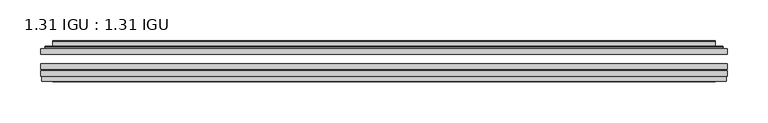
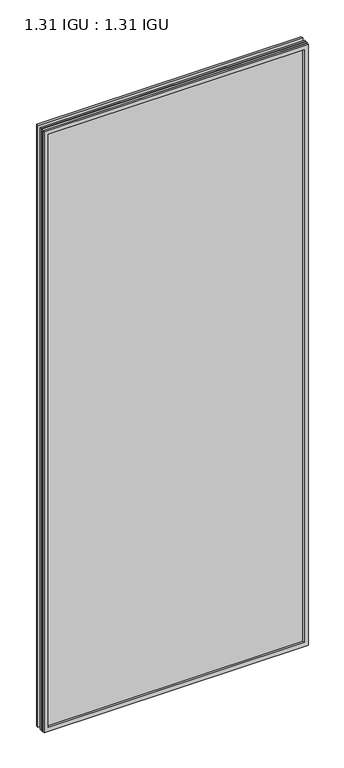
"""IFC4 building model written with IfcOpenShell, lengths in millimetres: plate geometry, 1.31 IGU : 1.31 IGU."""

from ifc_helpers import new_model, si_unit, frame, origin, place, context, project, spatial, polyline, ellipse_curve, outline, extrude, faceted_brep, source, transform, mapped, element, save
from ifc_brep_helpers import plane_surface, cylinder_surface, advanced_brep


def plate_1_31_igu_1_31_igu_4877e462(model_context):
    return source(origin(), model_context, "Body", "SolidModel", [
        extrude(outline(polyline([(419.1140393, -63.59525), (419.1140393, -69.94525), (-419.0998644, -69.94525), (-419.0998644, -63.59525), (419.1140393, -63.59525)])), frame((0.0, 0.0, -14.2875), z_axis=(0.0, 0.0, 1.0), x_axis=(1.0, 0.0, 0.0)), (0.0, 0.0, 1.0), 2009.8015278),
        extrude(outline(polyline([(-419.0998644, -78.58125), (-419.0998644, -72.230745), (419.1140393, -72.230745), (419.1140393, -78.58125), (-419.0998644, -78.58125)])), frame((0.0, 0.0, -14.2875), z_axis=(0.0, 0.0, 1.0), x_axis=(1.0, 0.0, 0.0)), (0.0, 0.0, 1.0), 2009.8015278),
        extrude(outline(polyline([(419.1140393, -45.25645), (419.1140393, -51.60645), (-419.0998644, -51.60645), (-419.0998644, -45.25645), (419.1140393, -45.25645)])), frame((0.0, 0.0, -14.2875), z_axis=(0.0, 0.0, 1.0), x_axis=(1.0, 0.0, 0.0)), (0.0, 0.0, 1.0), 2009.8015278),
        faceted_brep([(-418.3996786, -84.93125, 1994.8100441), (-418.3996786, -78.58125, 1994.8100441), (-418.3996786, -78.58125, -13.5873142), (-418.3996786, -84.93125, -13.5873142), (418.3996786, -78.58125, -13.5873142), (418.3996786, -84.93125, -13.5873142), (418.3996786, -78.58125, 1994.8100441), (418.3996786, -84.93125, 1994.8100441), (-403.9146202, -78.58125, 0.8977441), (403.9146202, -78.58125, 0.8977441), (403.9146202, -78.58125, 1980.3249858), (-403.9146202, -78.58125, 1980.3249858), (-404.8070545, -84.93125, 1981.2174201), (404.8070545, -84.93125, 1981.2174201), (404.8070545, -84.93125, 0.0053098), (-404.8070545, -84.93125, 0.0053098)], [[[0, 1, 2, 3]], [[3, 2, 4, 5]], [[5, 4, 6, 7]], [[1, 6, 4, 2], [8, 9, 10, 11]], [[7, 6, 1, 0]], [[3, 5, 7, 0], [12, 13, 14, 15]], [[11, 12, 15, 8]], [[8, 15, 14, 9]], [[9, 14, 13, 10]], [[10, 13, 12, 11]]]),
        advanced_brep(
        [(-411.8585834, -45.25645, 1988.2689489), (-414.2127888, -43.2667833, 1990.6231543), (-414.2127888, -43.2667833, -9.4004244), (-411.8585834, -45.25645, -7.046219), (-402.7842583, -41.416413, 1979.1946238), (-397.8494264, -45.25645, 1974.2597919), (-397.8494264, -45.25645, 6.9629379), (-402.7842583, -41.416413, 2.0281061), (-403.816286, -36.0191819, 1980.2266515), (-403.816286, -36.0191819, 0.9960783), (-404.8069428, -35.6202069, 1981.2173083), (-404.8069428, -35.6202069, 0.0054216), (-404.8069428, -42.08145, 1981.2173083), (-404.8069428, -42.08145, 0.0054216), (-413.2109992, -42.08145, 1989.6213648), (-413.2109992, -42.08145, -8.3986349), (414.2127888, -43.2667833, -9.4004244), (411.8585834, -45.25645, -7.046219), (397.8494264, -45.25645, 6.9629379), (402.7842583, -41.416413, 2.0281061), (403.816286, -36.0191819, 0.9960783), (404.8069428, -35.6202069, 0.0054216), (404.8069428, -42.08145, 0.0054216), (413.2109992, -42.08145, -8.3986349), (414.2127888, -43.2667833, 1990.6231543), (411.8585834, -45.25645, 1988.2689489), (397.8494264, -45.25645, 1974.2597919), (402.7842583, -41.416413, 1979.1946238), (403.816286, -36.0191819, 1980.2266515), (404.8069428, -35.6202069, 1981.2173083), (404.8069428, -42.08145, 1981.2173083), (413.2109992, -42.08145, 1989.6213648)],
        [
            (0, 1, ellipse_curve(frame((-411.8585834, -42.86885, 1988.2689489), z_axis=(-0.7071067811865475, 0.0, -0.7071067811865475), x_axis=(-0.7071067811865474, 0.0, 0.7071067811865476)), 3.3765763, 2.3876)),
            (1, 2),
            (2, 3, ellipse_curve(frame((-411.8585834, -42.86885, -7.046219), z_axis=(-0.7071067811865475, 0.0, 0.7071067811865475), x_axis=(0.7071067811865474, 0.0, 0.7071067811865476)), 3.3765763, 2.3876)),
            (3, 0),
            (4, 5),
            (5, 6),
            (6, 7),
            (7, 4),
            (8, 4),
            (7, 9),
            (9, 8),
            (10, 8, ellipse_curve(frame((-404.4399862, -36.1384423, 1980.8503517), z_axis=(-0.7071067811865475, 0.0, -0.7071067811865475), x_axis=(-0.7071067811865474, 0.0, 0.7071067811865476)), 0.8980256, 0.635)),
            (9, 11, ellipse_curve(frame((-404.4399862, -36.1384423, 0.3723781), z_axis=(-0.7071067811865475, 0.0, 0.7071067811865475), x_axis=(0.7071067811865474, 0.0, 0.7071067811865476)), 0.8980256, 0.635)),
            (11, 10),
            (12, 10),
            (11, 13),
            (13, 12),
            (1, 14, ellipse_curve(frame((-413.2109992, -43.09745, 1989.6213648), z_axis=(-0.7071067811865475, 0.0, -0.7071067811865475), x_axis=(-0.7071067811865474, 0.0, 0.7071067811865476)), 1.436841, 1.016)),
            (14, 15),
            (15, 2, ellipse_curve(frame((-413.2109992, -43.09745, -8.3986349), z_axis=(-0.7071067811865475, 0.0, 0.7071067811865475), x_axis=(0.7071067811865474, 0.0, 0.7071067811865476)), 1.436841, 1.016)),
            (2, 16),
            (16, 17, ellipse_curve(frame((411.8585834, -42.86885, -7.046219), z_axis=(-0.7071067811865475, 0.0, -0.7071067811865475), x_axis=(-0.7071067811865476, 0.0, 0.7071067811865474)), 3.3765763, 2.3876)),
            (17, 3),
            (6, 18),
            (18, 19),
            (19, 7),
            (19, 20),
            (20, 9),
            (20, 21, ellipse_curve(frame((404.4399862, -36.1384423, 0.3723781), z_axis=(-0.7071067811865475, 0.0, -0.7071067811865475), x_axis=(-0.7071067811865476, 0.0, 0.7071067811865474)), 0.8980256, 0.635)),
            (21, 11),
            (21, 22),
            (22, 13),
            (15, 23),
            (23, 16, ellipse_curve(frame((413.2109992, -43.09745, -8.3986349), z_axis=(-0.7071067811865475, 0.0, -0.7071067811865475), x_axis=(-0.7071067811865476, 0.0, 0.7071067811865474)), 1.436841, 1.016)),
            (16, 24),
            (24, 25, ellipse_curve(frame((411.8585834, -42.86885, 1988.2689489), z_axis=(0.7071067811865475, 0.0, -0.7071067811865475), x_axis=(-0.7071067811865474, 0.0, -0.7071067811865476)), 3.3765763, 2.3876)),
            (25, 17),
            (18, 26),
            (26, 27),
            (27, 19),
            (27, 28),
            (28, 20),
            (28, 29, ellipse_curve(frame((404.4399862, -36.1384423, 1980.8503517), z_axis=(0.7071067811865475, 0.0, -0.7071067811865475), x_axis=(-0.7071067811865474, 0.0, -0.7071067811865476)), 0.8980256, 0.635)),
            (29, 21),
            (29, 30),
            (30, 22),
            (23, 31),
            (31, 24, ellipse_curve(frame((413.2109992, -43.09745, 1989.6213648), z_axis=(0.7071067811865475, 0.0, -0.7071067811865475), x_axis=(-0.7071067811865474, 0.0, -0.7071067811865476)), 1.436841, 1.016)),
            (24, 1),
            (0, 25),
            (5, 26),
            (4, 27),
            (8, 28),
            (10, 29),
            (12, 30),
            (14, 31),
        ],
        [
            cylinder_surface(frame((-411.8585834, -42.86885, 2012.9727299), z_axis=(0.0, 0.0, 1.0), x_axis=(-1.0, 0.0, 0.0)), 2.3876),
            plane_surface(frame((-397.8494264, -45.25645, 1974.2597919), z_axis=(0.6141233906514794, 0.7892100234124821, 0.0), x_axis=(0.0, 0.0, -1.0))),
            plane_surface(frame((-402.7842583, -41.416413, 1979.1946238), z_axis=(0.9822050625507729, 0.18781164793386076, 0.0), x_axis=(0.0, 0.0, -1.0))),
            cylinder_surface(frame((-404.4399862, -36.1384423, 2012.9727299), z_axis=(0.0, 0.0, 1.0), x_axis=(-1.0, 0.0, 0.0)), 0.635),
            plane_surface(frame((-404.8069428, -35.6202069, 1981.2173083), z_axis=(-1.0, 0.0, 0.0), x_axis=(0.0, 0.0, -1.0))),
            cylinder_surface(frame((-413.2109992, -43.09745, 2012.9727299), z_axis=(0.0, 0.0, 1.0), x_axis=(-1.0, 0.0, 0.0)), 1.016),
            cylinder_surface(frame((-436.5623644, -42.86885, -7.046219), z_axis=(-1.0, 0.0, 0.0), x_axis=(0.0, 0.0, -1.0)), 2.3876),
            plane_surface(frame((-397.8494264, -45.25645, 6.9629379), z_axis=(0.0, 0.7892100234124841, 0.6141233906514768), x_axis=(1.0, 0.0, 0.0))),
            plane_surface(frame((-402.7842583, -41.416413, 2.0281061), z_axis=(0.0, 0.18781164793386393, 0.9822050625507723), x_axis=(1.0, 0.0, 0.0))),
            cylinder_surface(frame((-436.5623644, -36.1384423, 0.3723781), z_axis=(-1.0, 0.0, 0.0), x_axis=(0.0, 0.0, -1.0)), 0.635),
            plane_surface(frame((-404.8069428, -35.6202069, 0.0054216), z_axis=(0.0, 0.0, -1.0), x_axis=(1.0, 0.0, 0.0))),
            cylinder_surface(frame((-436.5623644, -43.09745, -8.3986349), z_axis=(-1.0, 0.0, 0.0), x_axis=(0.0, 0.0, -1.0)), 1.016),
            cylinder_surface(frame((411.8585834, -42.86885, -31.75), z_axis=(0.0, 0.0, -1.0), x_axis=(1.0, 0.0, 0.0)), 2.3876),
            plane_surface(frame((397.8494264, -45.25645, 6.9629379), z_axis=(-0.6141233906514743, 0.7892100234124861, 0.0), x_axis=(0.0, 0.0, 1.0))),
            plane_surface(frame((402.7842583, -41.416413, 2.0281061), z_axis=(-0.9822050625507718, 0.1878116479338671, 0.0), x_axis=(0.0, 0.0, 1.0))),
            cylinder_surface(frame((404.4399862, -36.1384423, -31.75), z_axis=(0.0, 0.0, -1.0), x_axis=(1.0, 0.0, 0.0)), 0.635),
            plane_surface(frame((404.8069428, -35.6202069, 0.0054216), z_axis=(1.0, 0.0, 0.0), x_axis=(0.0, 0.0, 1.0))),
            cylinder_surface(frame((413.2109992, -43.09745, -31.75), z_axis=(0.0, 0.0, -1.0), x_axis=(1.0, 0.0, 0.0)), 1.016),
            cylinder_surface(frame((436.5623644, -42.86885, 1988.2689489), z_axis=(1.0, 0.0, 0.0), x_axis=(0.0, 0.0, 1.0)), 2.3876),
            plane_surface(frame((411.8585834, -45.25645, 1988.2689489), z_axis=(0.0, -1.0, 0.0), x_axis=(-1.0, 0.0, 0.0))),
            plane_surface(frame((397.8494264, -45.25645, 1974.2597919), z_axis=(0.0, 0.7892100234124841, -0.6141233906514768), x_axis=(-1.0, 0.0, 0.0))),
            plane_surface(frame((402.7842583, -41.416413, 1979.1946238), z_axis=(0.0, 0.18781164793386393, -0.9822050625507723), x_axis=(-1.0, 0.0, 0.0))),
            cylinder_surface(frame((436.5623644, -36.1384423, 1980.8503517), z_axis=(1.0, 0.0, 0.0), x_axis=(0.0, 0.0, 1.0)), 0.635),
            plane_surface(frame((404.8069428, -35.6202069, 1981.2173083), z_axis=(0.0, 0.0, 1.0), x_axis=(-1.0, 0.0, 0.0))),
            plane_surface(frame((404.8069428, -42.08145, 1981.2173083), z_axis=(0.0, 1.0, 0.0), x_axis=(-1.0, 0.0, 0.0))),
            cylinder_surface(frame((436.5623644, -43.09745, 1989.6213648), z_axis=(1.0, 0.0, 0.0), x_axis=(0.0, 0.0, 1.0)), 1.016),
        ],
        [
            (0, [[1, 2, 3, 4]]),
            (1, [[5, 6, 7, 8]]),
            (2, [[9, -8, 10, 11]]),
            (3, [[12, -11, 13, 14]]),
            (4, [[15, -14, 16, 17]]),
            (5, [[18, 19, 20, -2]]),
            (6, [[-3, 21, 22, 23]]),
            (7, [[-7, 24, 25, 26]]),
            (8, [[-10, -26, 27, 28]]),
            (9, [[-13, -28, 29, 30]]),
            (10, [[-16, -30, 31, 32]]),
            (11, [[-20, 33, 34, -21]]),
            (12, [[-22, 35, 36, 37]]),
            (13, [[-25, 38, 39, 40]]),
            (14, [[-27, -40, 41, 42]]),
            (15, [[-29, -42, 43, 44]]),
            (16, [[-31, -44, 45, 46]]),
            (17, [[-34, 47, 48, -35]]),
            (18, [[-36, 49, -1, 50]]),
            (19, [[-23, -37, -50, -4], [51, -38, -24, -6]]),
            (20, [[-39, -51, -5, 52]]),
            (21, [[-41, -52, -9, 53]]),
            (22, [[-43, -53, -12, 54]]),
            (23, [[-45, -54, -15, 55]]),
            (24, [[56, -47, -33, -19], [-32, -46, -55, -17]]),
            (25, [[-48, -56, -18, -49]]),
        ],
    ),
    ])


if __name__ == "__main__":
    model = new_model("IFC4")
    model_context = context("Model", 3, world=origin())
    ifc_project = project(units=[si_unit("LENGTHUNIT", "METRE", prefix="MILLI")], contexts=[model_context])
    site = spatial("IfcSite", under=ifc_project)
    building = spatial("IfcBuilding", under=site)
    placement = place(None, origin())
    plate_1_31_igu_1_31_igu_shape = plate_1_31_igu_1_31_igu_4877e462(model_context)
    element("IfcPlate", 1, ObjectType="1.31 IGU : 1.31 IGU", at=placement, inside=building, context=model_context, shape_type="MappedRepresentation", body=[
        mapped(plate_1_31_igu_1_31_igu_shape, transform((0.0, 0.0, 0.0), x_axis=(1.0, 0.0, 0.0), y_axis=(0.0, 1.0, 0.0), z_axis=(0.0, 0.0, 1.0))),
    ])
    save(model, "model.ifc")
